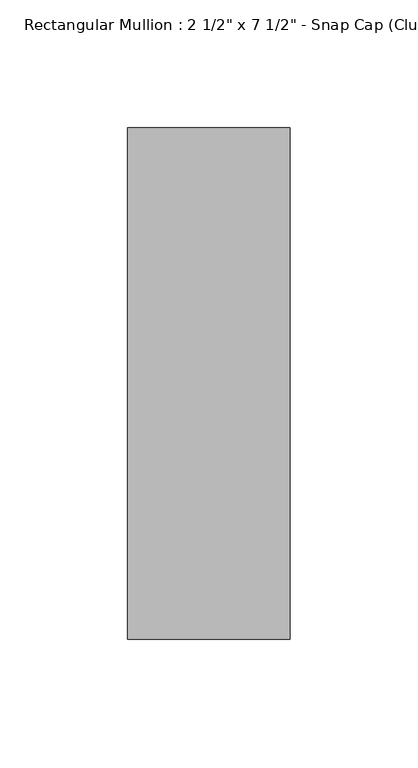
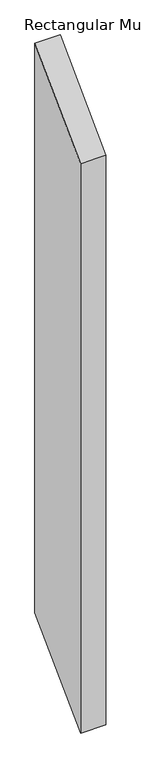
"""IFC4 building model written with IfcOpenShell, lengths in millimetres: member geometry."""

from ifc_helpers import new_model, si_unit, frame, origin, place, context, project, spatial, polyline, outline, extrude, source, transform, mapped, element, save


def member_718ea3aa(model_context):
    return source(origin(), model_context, "Body", "SweptSolid", [
        extrude(outline(polyline([(-25.8, -25.8), (174.2, 174.2), (174.2, -1346.8), (-25.8, -1546.8), (-25.8, -25.8)])), frame((-31.75, 0.0, 0.0), z_axis=(1.0, 0.0, 0.0), x_axis=(0.0, 1.0, 0.0)), (0.0, 0.0, 1.0), 63.5),
    ])


if __name__ == "__main__":
    model = new_model("IFC4")
    model_context = context("Model", 3, world=origin())
    ifc_project = project(units=[si_unit("LENGTHUNIT", "METRE", prefix="MILLI")], contexts=[model_context])
    site = spatial("IfcSite", under=ifc_project)
    building = spatial("IfcBuilding", under=site)
    placement = place(None, origin())
    member_shape = member_718ea3aa(model_context)
    element("IfcMember", 1, ObjectType="Rectangular Mullion : 2 1/2\" x 7 1/2\" - Snap Cap (Club)", at=placement, inside=building, context=model_context, shape_type="MappedRepresentation", body=[
        mapped(member_shape, transform((0.0, 0.0, 0.0), x_axis=(1.0, 0.0, 0.0), y_axis=(0.0, 1.0, 0.0), z_axis=(0.0, 0.0, 1.0))),
    ])
    save(model, "model.ifc")
